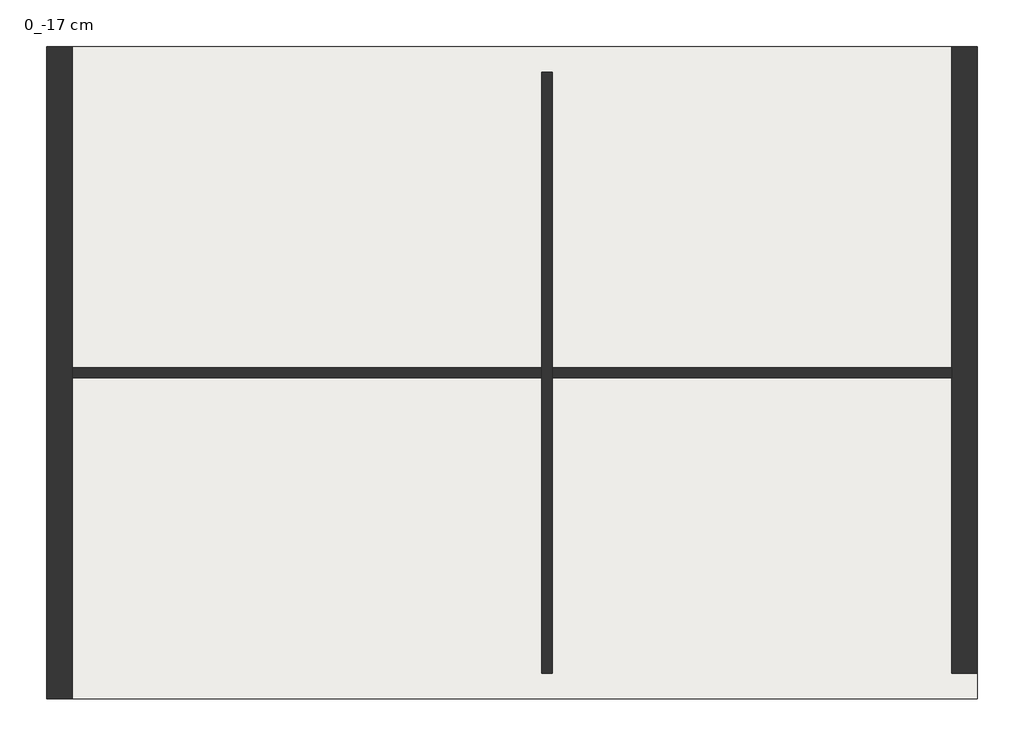
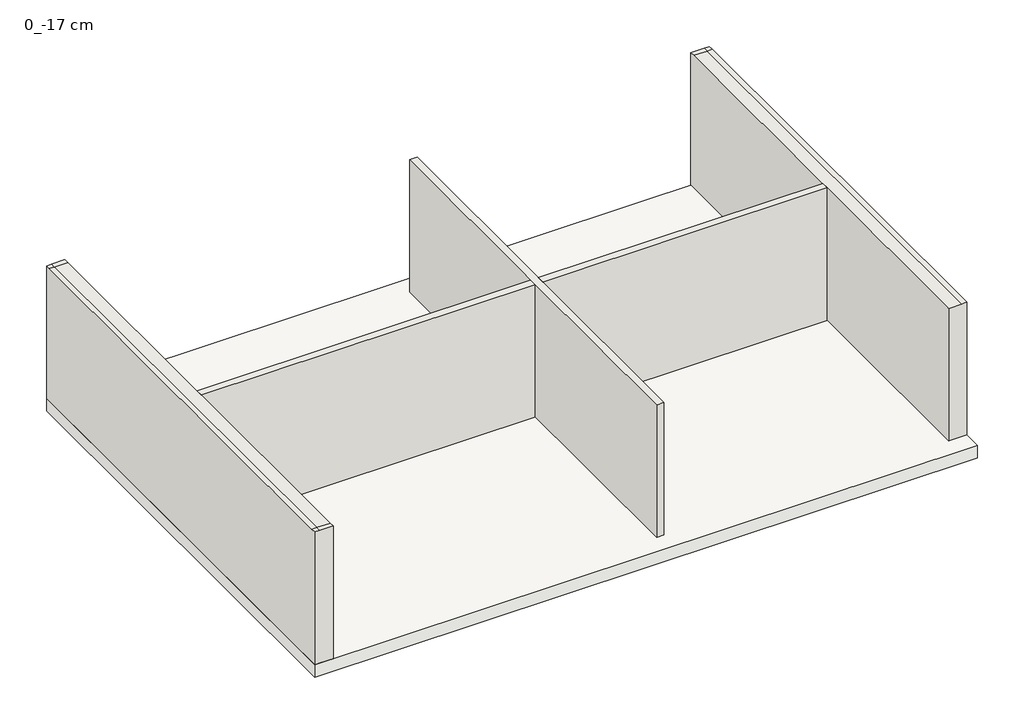
# One storey: 4 walls, 1 slab.
"""IFC4 building model written with IfcOpenShell, lengths in millimetres."""

from ifc_helpers import new_model, si_unit, frame, origin, place, context, project, spatial, polyline, outline, extrude, faceted_brep, element, save

model = new_model("IFC4")

# Units and contexts
model_context = context("Model", 3, world=origin())
ifc_project = project(units=[si_unit("LENGTHUNIT", "METRE", prefix="MILLI")], contexts=[model_context])

# Site, building, storey
site = spatial("IfcSite", under=ifc_project)
building = spatial("IfcBuilding", under=site)
storey = spatial("IfcBuildingStorey", under=building, Name="0_-17 cm", Elevation=-170.0)

# Slab
placement = place(None, origin())
element("IfcSlab", 1, ObjectType="Floor_27", at=placement, inside=storey, context=model_context, shape_type="SweptSolid", body=[
    extrude(outline(polyline([(9736.1680841, 12034.6977103), (9736.1680841, 2664.6977103), (-3633.8319159, 2664.6977103), (-3633.8319159, 12034.6977103), (9736.1680841, 12034.6977103)])), frame((0.0, 0.0, -440.0), z_axis=(0.0, 0.0, 1.0), x_axis=(1.0, 0.0, 0.0)), (0.0, 0.0, 1.0), 270.0),
])

# Walls
element("IfcWall", 2, ObjectType="Wall_Ext_37cm", at=placement, inside=storey, context=model_context, shape_type="Brep", body=[
    faceted_brep([(-3633.8319159, 12034.6977103, -170.0), (-3633.8319159, 2664.6977103, -170.0), (-3633.8319159, 2664.6977103, 2660.0), (-3633.8319159, 2764.6977103, 2660.0), (-3633.8319159, 11934.6977103, 2660.0), (-3633.8319159, 12034.6977103, 2660.0), (-3263.8319159, 12034.6977103, -170.0), (-3263.8319159, 12034.6977103, 2660.0), (-3263.8319159, 11934.6977103, 2660.0), (-3263.8319159, 11664.6977103, 2660.0), (-3263.8319159, 7424.6977103, 2660.0), (-3263.8319159, 7274.6977103, 2660.0), (-3263.8319159, 3034.6977103, 2660.0), (-3263.8319159, 2764.6977103, 2660.0), (-3263.8319159, 2664.6977103, 2660.0), (-3263.8319159, 2664.6977103, -170.0), (-3263.8319159, 3034.6977103, -170.0), (-3263.8319159, 7274.6977103, -170.0), (-3263.8319159, 7424.6977103, -170.0), (-3263.8319159, 11664.6977103, -170.0), (-3533.8319159, 12034.6977103, -170.0), (-3533.8319159, 2664.6977103, -170.0), (-3533.8319159, 2664.6977103, 2660.0), (-3533.8319159, 12034.6977103, 2660.0), (-3533.8319159, 2764.6977103, 2660.0), (-3533.8319159, 11934.6977103, 2660.0)], [[[0, 1, 2, 3, 4, 5]], [[6, 7, 8, 9, 10, 11, 12, 13, 14, 15, 16, 17, 18, 19]], [[20, 6, 19, 18, 17, 16, 15, 21]], [[2, 1, 21, 15, 14, 22]], [[0, 5, 23, 7, 6, 20]], [[1, 0, 20, 21]], [[22, 14, 13, 24]], [[3, 2, 22, 24]], [[8, 7, 23, 25]], [[4, 3, 24, 25]], [[5, 4, 25, 23]], [[24, 13, 12, 11, 10, 9, 8, 25]]]),
])
element("IfcWall", 3, ObjectType="Wall_Ext_37cm", at=placement, inside=storey, context=model_context, shape_type="Brep", body=[
    faceted_brep([(9736.1680841, 3034.6977103, -170.0), (9736.1680841, 12034.6977103, -170.0), (9736.1680841, 12034.6977103, 2660.0), (9736.1680841, 11934.6977103, 2660.0), (9736.1680841, 3034.6977103, 2660.0), (9366.1680841, 3034.6977103, -170.0), (9366.1680841, 3034.6977103, 2660.0), (9366.1680841, 7274.6977103, 2660.0), (9366.1680841, 7424.6977103, 2660.0), (9366.1680841, 11664.6977103, 2660.0), (9366.1680841, 11934.6977103, 2660.0), (9366.1680841, 12034.6977103, 2660.0), (9366.1680841, 12034.6977103, -170.0), (9366.1680841, 11664.6977103, -170.0), (9366.1680841, 7424.6977103, -170.0), (9366.1680841, 7274.6977103, -170.0), (9636.1680841, 3034.6977103, -170.0), (9636.1680841, 12034.6977103, -170.0), (9636.1680841, 3034.6977103, 2660.0), (9636.1680841, 12034.6977103, 2660.0), (9636.1680841, 11934.6977103, 2660.0)], [[[0, 1, 2, 3, 4]], [[5, 6, 7, 8, 9, 10, 11, 12, 13, 14, 15]], [[16, 5, 15, 14, 13, 12, 17]], [[0, 4, 18, 6, 5, 16]], [[2, 1, 17, 12, 11, 19]], [[1, 0, 16, 17]], [[19, 11, 10, 20]], [[4, 3, 20, 18]], [[3, 2, 19, 20]], [[10, 9, 8, 7, 6, 18, 20]]]),
])
element("IfcWall", 4, ObjectType="Wall_Int_15 cm", at=placement, inside=storey, context=model_context, shape_type="Brep", body=[
    faceted_brep([(3476.1680841, 11664.6977103, -170.0), (3476.1680841, 7424.6977103, -170.0), (3476.1680841, 7274.6977103, -170.0), (3476.1680841, 3034.6977103, -170.0), (3476.1680841, 3034.6977103, 2660.0), (3476.1680841, 7274.6977103, 2660.0), (3476.1680841, 7424.6977103, 2660.0), (3476.1680841, 11664.6977103, 2660.0), (3626.1680841, 11664.6977103, -170.0), (3626.1680841, 11664.6977103, 2660.0), (3626.1680841, 7424.6977103, 2660.0), (3626.1680841, 7274.6977103, 2660.0), (3626.1680841, 3034.6977103, 2660.0), (3626.1680841, 3034.6977103, -170.0), (3626.1680841, 7274.6977103, -170.0), (3626.1680841, 7424.6977103, -170.0)], [[[0, 1, 2, 3, 4, 5, 6, 7]], [[8, 9, 10, 11, 12, 13, 14, 15]], [[3, 2, 1, 0, 8, 15, 14, 13]], [[4, 3, 13, 12]], [[0, 7, 9, 8]], [[7, 6, 5, 4, 12, 11, 10, 9]]]),
])
element("IfcWall", 5, ObjectType="Wall_Int_15 cm", at=placement, inside=storey, context=model_context, shape_type="SweptSolid", body=[
    extrude(outline(polyline([(-3263.8319159, 7274.6977103), (-3263.8319159, 7424.6977103), (3476.1680841, 7424.6977103), (3476.1680841, 7274.6977103), (-3263.8319159, 7274.6977103)])), frame((0.0, 0.0, -170.0), z_axis=(0.0, 0.0, 1.0), x_axis=(1.0, 0.0, 0.0)), (0.0, 0.0, 1.0), 2830.0),
    extrude(outline(polyline([(9366.1680841, 7424.6977103), (9366.1680841, 7274.6977103), (3626.1680841, 7274.6977103), (3626.1680841, 7424.6977103), (9366.1680841, 7424.6977103)])), frame((0.0, 0.0, -170.0), z_axis=(0.0, 0.0, 1.0), x_axis=(1.0, 0.0, 0.0)), (0.0, 0.0, 1.0), 2830.0),
])

save(model, "model.ifc")
